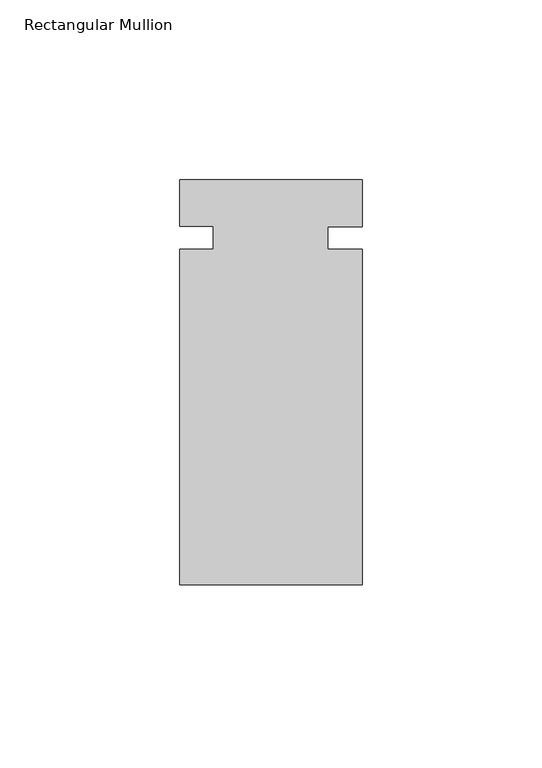
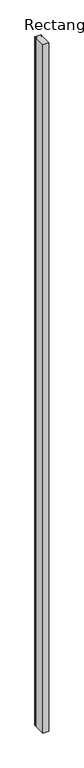
"""IFC4 building model written with IfcOpenShell, lengths in millimetres: member geometry, Rectangular Mullion."""

from ifc_helpers import new_model, si_unit, frame, origin, place, context, project, spatial, polyline, outline, extrude, source, transform, mapped, element, save


def rectangular_mullion_9a50028f(model_context):
    return source(origin(), model_context, "Body", "SweptSolid", [
        extrude(outline(polyline([(25.577466, -55.7885929), (-25.222534, -55.7885929), (-25.222534, 37.549145), (-15.888034, 37.549145), (-15.888034, 43.899145), (-25.222534, 43.899145), (-25.222534, 56.937275), (25.577466, 56.937275), (25.577466, 43.8743403), (16.052466, 43.8743403), (16.052466, 37.5367426), (25.577466, 37.5367426), (25.577466, -55.7885929)])), frame((0.0, 0.0, -6000.75), z_axis=(0.0, 0.0, 1.0), x_axis=(1.0, 0.0, 0.0)), (0.0, 0.0, 1.0), 6000.75),
    ])


if __name__ == "__main__":
    model = new_model("IFC4")
    model_context = context("Model", 3, world=origin())
    ifc_project = project(units=[si_unit("LENGTHUNIT", "METRE", prefix="MILLI")], contexts=[model_context])
    site = spatial("IfcSite", under=ifc_project)
    building = spatial("IfcBuilding", under=site)
    placement = place(None, origin())
    rectangular_mullion_shape = rectangular_mullion_9a50028f(model_context)
    element("IfcMember", 1, ObjectType="Rectangular Mullion", at=placement, inside=building, context=model_context, shape_type="MappedRepresentation", body=[
        mapped(rectangular_mullion_shape, transform((0.0, 0.0, 0.0), x_axis=(1.0, 0.0, 0.0), y_axis=(0.0, 1.0, 0.0), z_axis=(0.0, 0.0, 1.0))),
    ])
    save(model, "model.ifc")
